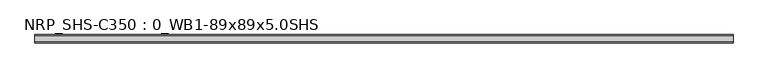
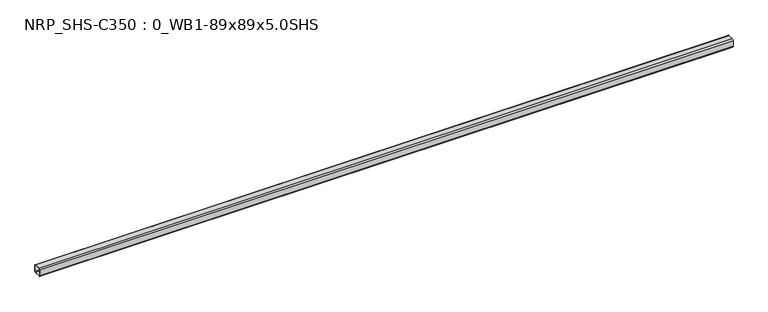
"""IFC4 building model written with IfcOpenShell, lengths in millimetres: member geometry, NRP_SHS-C350 : 0_WB1-89x89x5.0SHS."""

from ifc_helpers import new_model, si_unit, point, frame, frame_2d, origin, place, context, project, spatial, polyline, circle_curve, trimmed, segment, composite_curve, outline, extrude, source, transform, mapped, element, save


def nrp_shs_c350_0_wb1_89x89x5_0shs_9e1695b4(model_context):
    return source(origin(), model_context, "Body", "SweptSolid", [
        extrude(outline(composite_curve([segment(trimmed(circle_curve(frame_2d((-32.0, 32.0)), 12.5), [point((-44.5, 32.0))], [point((-32.0, 44.5))], False, "CARTESIAN"), True, "CONTINUOUS"), segment(polyline([(-32.0, 44.5), (32.0, 44.5)]), True, "CONTINUOUS"), segment(trimmed(circle_curve(frame_2d((32.0, 32.0)), 12.5), [point((32.0, 44.5))], [point((44.5, 32.0))], False, "CARTESIAN"), True, "CONTINUOUS"), segment(polyline([(44.5, 32.0), (44.5, -32.0)]), True, "CONTINUOUS"), segment(trimmed(circle_curve(frame_2d((32.0, -32.0)), 12.5), [point((44.5, -32.0))], [point((32.0, -44.5))], False, "CARTESIAN"), True, "CONTINUOUS"), segment(polyline([(32.0, -44.5), (-32.0, -44.5)]), True, "CONTINUOUS"), segment(trimmed(circle_curve(frame_2d((-32.0, -32.0)), 12.5), [point((-32.0, -44.5))], [point((-44.5, -32.0))], False, "CARTESIAN"), True, "CONTINUOUS"), segment(polyline([(-44.5, -32.0), (-44.5, 32.0)]), True, "CONTINUOUS")], self_intersect=False), holes=[composite_curve([segment(polyline([(32.0, 39.5), (-32.0, 39.5)]), True, "CONTINUOUS"), segment(trimmed(circle_curve(frame_2d((-32.0, 32.0)), 7.5), [point((-32.0, 39.5))], [point((-39.5, 32.0))], True, "CARTESIAN"), True, "CONTINUOUS"), segment(polyline([(-39.5, 32.0), (-39.5, -32.0)]), True, "CONTINUOUS"), segment(trimmed(circle_curve(frame_2d((-32.0, -32.0)), 7.5), [point((-39.5, -32.0))], [point((-32.0, -39.5))], True, "CARTESIAN"), True, "CONTINUOUS"), segment(polyline([(-32.0, -39.5), (32.0, -39.5)]), True, "CONTINUOUS"), segment(trimmed(circle_curve(frame_2d((32.0, -32.0)), 7.5), [point((32.0, -39.5))], [point((39.5, -32.0))], True, "CARTESIAN"), True, "CONTINUOUS"), segment(polyline([(39.5, -32.0), (39.5, 32.0)]), True, "CONTINUOUS"), segment(trimmed(circle_curve(frame_2d((32.0, 32.0)), 7.5), [point((39.5, 32.0))], [point((32.0, 39.5))], True, "CARTESIAN"), True, "CONTINUOUS")], self_intersect=False)]), frame((-3669.4520017, 0.0, 0.0), z_axis=(1.0, 0.0, 0.0), x_axis=(0.0, 1.0, 0.0)), (0.0, 0.0, 1.0), 7451.9480136),
    ])


if __name__ == "__main__":
    model = new_model("IFC4")
    model_context = context("Model", 3, world=origin())
    ifc_project = project(units=[si_unit("LENGTHUNIT", "METRE", prefix="MILLI")], contexts=[model_context])
    site = spatial("IfcSite", under=ifc_project)
    building = spatial("IfcBuilding", under=site)
    placement = place(None, origin())
    nrp_shs_c350_0_wb1_89x89x5_0shs_shape = nrp_shs_c350_0_wb1_89x89x5_0shs_9e1695b4(model_context)
    element("IfcMember", 1, ObjectType="NRP_SHS-C350 : 0_WB1-89x89x5.0SHS", at=placement, inside=building, context=model_context, shape_type="MappedRepresentation", body=[
        mapped(nrp_shs_c350_0_wb1_89x89x5_0shs_shape, transform((0.0, 0.0, 0.0), x_axis=(1.0, 0.0, 0.0), y_axis=(0.0, 1.0, 0.0), z_axis=(0.0, 0.0, 1.0))),
    ])
    save(model, "model.ifc")
